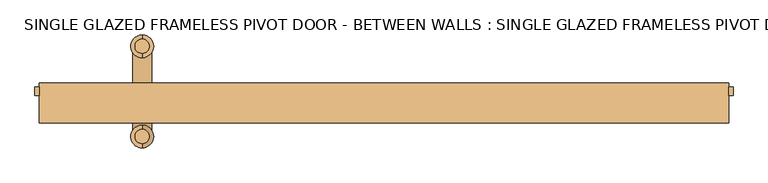
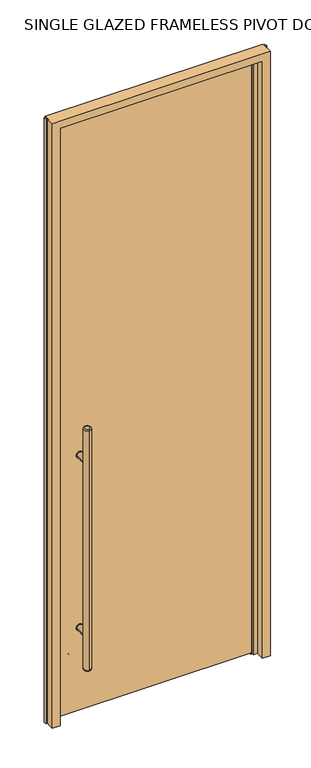
"""IFC4 building model written with IfcOpenShell, lengths in millimetres: door geometry, SINGLE GLAZED FRAMELESS PIVOT DOOR - BETWEEN WALLS : SINGLE GLAZED FRAMELESS PIVOT DOOR - BETWEEN WALLS."""

from ifc_helpers import new_model, si_unit, point, frame, frame_2d, origin, origin_with_axes, place, context, project, spatial, polyline, circle_curve, ellipse_curve, trimmed, segment, composite_curve, outline, extrude, faceted_brep, source, transform, mapped, element, save
from ifc_brep_helpers import plane_surface, cylinder_surface, revolved_surface, advanced_brep


def single_glazed_frameless_pivot_door_between_walls_single_d72e6048(model_context):
    return source(origin(), model_context, "Body", "SolidModel", [
        extrude(outline(composite_curve([segment(trimmed(circle_curve(frame_2d((428.625, -365.125)), 15.875), [point((428.625, -381.0))], [point((428.625, -349.25))], False, "CARTESIAN"), True, "CONTINUOUS"), segment(trimmed(circle_curve(frame_2d((428.625, -365.125)), 15.875), [point((428.625, -349.25))], [point((428.625, -381.0))], False, "CARTESIAN"), True, "CONTINUOUS")], self_intersect=False)), frame((0.0, 0.0, 0.0), z_axis=(0.0, 1.0, 0.0), x_axis=(0.0, 0.0, 1.0)), (0.0, 0.0, 1.0), 3.175),
        extrude(outline(composite_curve([segment(trimmed(circle_curve(frame_2d((1298.575, -365.125)), 15.875), [point((1298.575, -349.25))], [point((1298.575, -381.0))], False, "CARTESIAN"), True, "CONTINUOUS"), segment(trimmed(circle_curve(frame_2d((1298.575, -365.125)), 15.875), [point((1298.575, -381.0))], [point((1298.575, -349.25))], False, "CARTESIAN"), True, "CONTINUOUS")], self_intersect=False)), frame((0.0, 0.0, 0.0), z_axis=(0.0, 1.0, 0.0), x_axis=(0.0, 0.0, 1.0)), (0.0, 0.0, 1.0), 3.175),
        extrude(outline(composite_curve([segment(trimmed(circle_curve(frame_2d((428.625, -365.125)), 15.875), [point((428.625, -381.0))], [point((428.625, -349.25))], False, "CARTESIAN"), True, "CONTINUOUS"), segment(trimmed(circle_curve(frame_2d((428.625, -365.125)), 15.875), [point((428.625, -349.25))], [point((428.625, -381.0))], False, "CARTESIAN"), True, "CONTINUOUS")], self_intersect=False)), frame((0.0, -9.525, 0.0), z_axis=(0.0, 1.0, 0.0), x_axis=(0.0, 0.0, 1.0)), (0.0, 0.0, 1.0), 3.175),
        extrude(outline(composite_curve([segment(trimmed(circle_curve(frame_2d((1298.575, -365.125)), 15.875), [point((1298.575, -381.0))], [point((1298.575, -349.25))], False, "CARTESIAN"), True, "CONTINUOUS"), segment(trimmed(circle_curve(frame_2d((1298.575, -365.125)), 15.875), [point((1298.575, -349.25))], [point((1298.575, -381.0))], False, "CARTESIAN"), True, "CONTINUOUS")], self_intersect=False)), frame((0.0, -9.525, 0.0), z_axis=(0.0, 1.0, 0.0), x_axis=(0.0, 0.0, 1.0)), (0.0, 0.0, 1.0), 3.175),
        extrude(outline(composite_curve([segment(trimmed(circle_curve(frame_2d((428.625, -365.125)), 14.2875), [point((428.625, -350.8375))], [point((428.625, -379.4125))], False, "CARTESIAN"), True, "CONTINUOUS"), segment(trimmed(circle_curve(frame_2d((428.625, -365.125)), 14.2875), [point((428.625, -379.4125))], [point((428.625, -350.8375))], False, "CARTESIAN"), True, "CONTINUOUS")], self_intersect=False)), frame((0.0, -71.4375, 0.0), z_axis=(0.0, 1.0, 0.0), x_axis=(0.0, 0.0, 1.0)), (0.0, 0.0, 1.0), 65.0875),
        extrude(outline(composite_curve([segment(trimmed(circle_curve(frame_2d((1298.575, -365.125)), 14.2875), [point((1298.575, -350.8375))], [point((1298.575, -379.4125))], False, "CARTESIAN"), True, "CONTINUOUS"), segment(trimmed(circle_curve(frame_2d((1298.575, -365.125)), 14.2875), [point((1298.575, -379.4125))], [point((1298.575, -350.8375))], False, "CARTESIAN"), True, "CONTINUOUS")], self_intersect=False)), frame((0.0, -71.4375, 0.0), z_axis=(0.0, 1.0, 0.0), x_axis=(0.0, 0.0, 1.0)), (0.0, 0.0, 1.0), 65.0875),
        advanced_brep(
        [(-365.125, 54.2925, 1473.2), (-365.125, 75.8825, 1473.2), (-365.125, 75.8825, 254.0), (-365.125, 54.2925, 254.0), (-365.125, 82.2325, 260.35), (-365.125, 82.2325, 1466.85), (-365.125, 47.9425, 1466.85), (-365.125, 47.9425, 260.35)],
        [
            (0, 1, circle_curve(frame((-365.125, 65.0875, 1473.2), z_axis=(0.0, 0.0, 1.0), x_axis=(0.0, -1.0, 0.0)), 10.795)),
            (1, 0, circle_curve(frame((-365.125, 65.0875, 1473.2), z_axis=(0.0, 0.0, 1.0), x_axis=(0.0, -1.0, 0.0)), 10.795)),
            (2, 3, circle_curve(frame((-365.125, 65.0875, 254.0), z_axis=(0.0, 0.0, -1.0), x_axis=(0.0, -1.0, 0.0)), 10.795)),
            (3, 2, circle_curve(frame((-365.125, 65.0875, 254.0), z_axis=(0.0, 0.0, -1.0), x_axis=(0.0, -1.0, 0.0)), 10.795)),
            (4, 5),
            (5, 6, circle_curve(frame((-365.125, 65.0875, 1466.85), z_axis=(0.0, 0.0, -1.0), x_axis=(0.0, -1.0, 0.0)), 17.145)),
            (6, 7),
            (7, 4, circle_curve(frame((-365.125, 65.0875, 260.35), z_axis=(0.0, 0.0, 1.0), x_axis=(0.0, -1.0, 0.0)), 17.145)),
            (6, 5, circle_curve(frame((-365.125, 65.0875, 1466.85), z_axis=(0.0, 0.0, -1.0), x_axis=(0.0, -1.0, 0.0)), 17.145)),
            (4, 7, circle_curve(frame((-365.125, 65.0875, 260.35), z_axis=(0.0, 0.0, 1.0), x_axis=(0.0, -1.0, 0.0)), 17.145)),
            (3, 7, circle_curve(frame((-365.125, 54.2925, 260.35), z_axis=(-1.0, 0.0, 0.0), x_axis=(0.0, -1.0, 0.0)), 6.35)),
            (4, 2, circle_curve(frame((-365.125, 75.8825, 260.35), z_axis=(-1.0, 0.0, 0.0), x_axis=(0.0, 1.0, 0.0)), 6.35)),
            (6, 0, circle_curve(frame((-365.125, 54.2925, 1466.85), z_axis=(-1.0, 0.0, 0.0), x_axis=(0.0, -1.0, 0.0)), 6.35)),
            (1, 5, circle_curve(frame((-365.125, 75.8825, 1466.85), z_axis=(-1.0, 0.0, 0.0), x_axis=(0.0, 1.0, 0.0)), 6.35)),
        ],
        [
            plane_surface(frame((-365.125, -88.5825, 1473.2), z_axis=(0.0, 0.0, 1.0), x_axis=(-1.0, 0.0, 0.0))),
            plane_surface(frame((-365.125, -88.5825, 254.0), z_axis=(0.0, 0.0, -1.0), x_axis=(1.0, 0.0, 0.0))),
            cylinder_surface(frame((-365.125, 65.0875, 254.0), z_axis=(0.0, 0.0, 1.0), x_axis=(0.0, -1.0, 0.0)), 17.145),
            revolved_surface(trimmed(ellipse_curve(frame((-365.125, 54.2925, 260.35), z_axis=(-1.0, 0.0, 0.0), x_axis=(0.0, -1.0, 0.0)), 6.35, 6.35), [point((-365.125, 54.2925, 254.0))], [point((-365.125, 47.9425, 260.35))], True, "CARTESIAN"), (-365.125, 65.0875, 2082.8), (0.0, 0.0, 1.0)),
            revolved_surface(trimmed(ellipse_curve(frame((-365.125, 54.2925, 1466.85), z_axis=(-1.0, 0.0, 0.0), x_axis=(0.0, -1.0, 0.0)), 6.35, 6.35), [point((-365.125, 47.9425, 1466.85))], [point((-365.125, 54.2925, 1473.2))], True, "CARTESIAN"), (-365.125, 65.0875, -355.6), (0.0, 0.0, 1.0)),
        ],
        [
            (0, [[1, 2]]),
            (1, [[3, 4]]),
            (2, [[5, 6, 7, 8]]),
            (2, [[-7, 9, -5, 10]]),
            (3, [[-4, 11, -10, 12]]),
            (3, [[-8, -11, -3, -12]]),
            (4, [[-9, 13, -2, 14]]),
            (4, [[-1, -13, -6, -14]]),
        ],
    ),
        advanced_brep(
        [(-365.125, -82.2325, 1473.2), (-365.125, -60.6425, 1473.2), (-365.125, -60.6425, 254.0), (-365.125, -82.2325, 254.0), (-365.125, -54.2925, 260.35), (-365.125, -54.2925, 1466.85), (-365.125, -88.5825, 1466.85), (-365.125, -88.5825, 260.35)],
        [
            (0, 1, circle_curve(frame((-365.125, -71.4375, 1473.2), z_axis=(0.0, 0.0, 1.0), x_axis=(0.0, 1.0, 0.0)), 10.795)),
            (1, 0, circle_curve(frame((-365.125, -71.4375, 1473.2), z_axis=(0.0, 0.0, 1.0), x_axis=(0.0, 1.0, 0.0)), 10.795)),
            (2, 3, circle_curve(frame((-365.125, -71.4375, 254.0), z_axis=(0.0, 0.0, -1.0), x_axis=(0.0, 1.0, 0.0)), 10.795)),
            (3, 2, circle_curve(frame((-365.125, -71.4375, 254.0), z_axis=(0.0, 0.0, -1.0), x_axis=(0.0, 1.0, 0.0)), 10.795)),
            (4, 5),
            (5, 6, circle_curve(frame((-365.125, -71.4375, 1466.85), z_axis=(0.0, 0.0, -1.0), x_axis=(0.0, -1.0, 0.0)), 17.145)),
            (6, 7),
            (7, 4, circle_curve(frame((-365.125, -71.4375, 260.35), z_axis=(0.0, 0.0, 1.0), x_axis=(0.0, -1.0, 0.0)), 17.145)),
            (6, 5, circle_curve(frame((-365.125, -71.4375, 1466.85), z_axis=(0.0, 0.0, -1.0), x_axis=(0.0, -1.0, 0.0)), 17.145)),
            (4, 7, circle_curve(frame((-365.125, -71.4375, 260.35), z_axis=(0.0, 0.0, 1.0), x_axis=(0.0, -1.0, 0.0)), 17.145)),
            (4, 2, circle_curve(frame((-365.125, -60.6425, 260.35), z_axis=(-1.0, 0.0, 0.0), x_axis=(0.0, 1.0, 0.0)), 6.35)),
            (3, 7, circle_curve(frame((-365.125, -82.2325, 260.35), z_axis=(-1.0, 0.0, 0.0), x_axis=(0.0, -1.0, 0.0)), 6.35)),
            (1, 5, circle_curve(frame((-365.125, -60.6425, 1466.85), z_axis=(-1.0, 0.0, 0.0), x_axis=(0.0, 1.0, 0.0)), 6.35)),
            (6, 0, circle_curve(frame((-365.125, -82.2325, 1466.85), z_axis=(-1.0, 0.0, 0.0), x_axis=(0.0, -1.0, 0.0)), 6.35)),
        ],
        [
            plane_surface(frame((-365.125, -88.5825, 1473.2), z_axis=(0.0, 0.0, 1.0), x_axis=(-1.0, 0.0, 0.0))),
            plane_surface(frame((-365.125, -88.5825, 254.0), z_axis=(0.0, 0.0, -1.0), x_axis=(1.0, 0.0, 0.0))),
            cylinder_surface(frame((-365.125, -71.4375, 254.0), z_axis=(0.0, 0.0, 1.0), x_axis=(0.0, -1.0, 0.0)), 17.145),
            revolved_surface(trimmed(ellipse_curve(frame((-365.125, -60.6425, 260.35), z_axis=(-1.0, 0.0, 0.0), x_axis=(0.0, 1.0, 0.0)), 6.35, 6.35), [point((-365.125, -54.2925, 260.35))], [point((-365.125, -60.6425, 254.0))], True, "CARTESIAN"), (-365.125, -71.4375, 2082.8), (0.0, 0.0, -1.0)),
            revolved_surface(trimmed(ellipse_curve(frame((-365.125, -60.6425, 1466.85), z_axis=(-1.0, 0.0, 0.0), x_axis=(0.0, 1.0, 0.0)), 6.35, 6.35), [point((-365.125, -60.6425, 1473.2))], [point((-365.125, -54.2925, 1466.85))], True, "CARTESIAN"), (-365.125, -71.4375, -355.6), (0.0, 0.0, -1.0)),
        ],
        [
            (0, [[1, 2]]),
            (1, [[3, 4]]),
            (2, [[5, 6, 7, 8]]),
            (2, [[-7, 9, -5, 10]]),
            (3, [[-10, 11, -4, 12]]),
            (3, [[-3, -11, -8, -12]]),
            (4, [[-2, 13, -9, 14]]),
            (4, [[-6, -13, -1, -14]]),
        ],
    ),
        extrude(outline(composite_curve([segment(trimmed(circle_curve(frame_2d((428.625, -365.125)), 14.2875), [point((428.625, -350.8375))], [point((428.625, -379.4125))], False, "CARTESIAN"), True, "CONTINUOUS"), segment(trimmed(circle_curve(frame_2d((428.625, -365.125)), 14.2875), [point((428.625, -379.4125))], [point((428.625, -350.8375))], False, "CARTESIAN"), True, "CONTINUOUS")], self_intersect=False)), frame((0.0, 0.0, 0.0), z_axis=(0.0, 1.0, 0.0), x_axis=(0.0, 0.0, 1.0)), (0.0, 0.0, 1.0), 65.0875),
        extrude(outline(composite_curve([segment(trimmed(circle_curve(frame_2d((1298.575, -365.125)), 14.2875), [point((1298.575, -350.8375))], [point((1298.575, -379.4125))], False, "CARTESIAN"), True, "CONTINUOUS"), segment(trimmed(circle_curve(frame_2d((1298.575, -365.125)), 14.2875), [point((1298.575, -379.4125))], [point((1298.575, -350.8375))], False, "CARTESIAN"), True, "CONTINUOUS")], self_intersect=False)), frame((0.0, 0.0, 0.0), z_axis=(0.0, 1.0, 0.0), x_axis=(0.0, 0.0, 1.0)), (0.0, 0.0, 1.0), 65.0875),
        extrude(outline(polyline([(457.2, 0.0), (457.2, -6.35), (-457.2, -6.35), (-457.2, 0.0), (457.2, 0.0)])), frame((0.0, 0.0, 9.525), z_axis=(0.0, 0.0, 1.0), x_axis=(1.0, 0.0, 0.0)), (0.0, 0.0, 1.0), 2974.975),
        extrude(outline(polyline([(-520.7, -9.525), (-527.05, -9.525), (-527.05, 3.175), (-520.7, 3.175), (-520.7, -9.525)])), origin_with_axes(), (0.0, 0.0, 1.0), 3048.0),
        extrude(outline(polyline([(520.7, -9.525), (520.7, 3.175), (527.05, 3.175), (527.05, -9.525), (520.7, -9.525)])), origin_with_axes(), (0.0, 0.0, 1.0), 3048.0),
        faceted_brep([(520.7, 9.525, 0.0), (520.7, -50.8, 0.0), (483.497187, -50.8, 0.0), (483.497187, -9.525, 0.0), (462.9999983, -9.525, 0.0), (462.9999983, 0.0, 0.0), (454.025, 0.0, 0.0), (454.025, 9.525, 0.0), (454.025, 9.525, 2981.325), (-454.025, 9.525, 2981.325), (-454.025, 9.525, 0.0), (-520.7, 9.525, 0.0), (-520.7, 9.525, 3048.0), (520.7, 9.525, 3048.0), (454.025, 0.0, 2981.325), (462.9999983, 0.0, 2990.2999983), (-462.9999983, 0.0, 2990.2999983), (-462.9999983, 0.0, 0.0), (-454.025, 0.0, 0.0), (-454.025, 0.0, 2981.325), (462.9999983, -9.525, 2990.2999983), (483.497187, -9.525, 3010.797187), (-483.497187, -9.525, 3010.797187), (-483.497187, -9.525, 0.0), (-462.9999983, -9.525, 0.0), (-462.9999983, -9.525, 2990.2999983), (483.497187, -50.8, 3010.797187), (520.7, -50.8, 3048.0), (-520.7, -50.8, 3048.0), (-520.7, -50.8, 0.0), (-483.497187, -50.8, 0.0), (-483.497187, -50.8, 3010.797187)], [[[0, 1, 2, 3, 4, 5, 6, 7]], [[7, 8, 9, 10, 11, 12, 13, 0]], [[6, 14, 8, 7]], [[5, 15, 16, 17, 18, 19, 14, 6]], [[4, 20, 15, 5]], [[3, 21, 22, 23, 24, 25, 20, 4]], [[2, 26, 21, 3]], [[1, 27, 28, 29, 30, 31, 26, 2]], [[0, 13, 27, 1]], [[11, 10, 18, 17, 24, 23, 30, 29]], [[12, 11, 29, 28]], [[31, 30, 23, 22]], [[25, 24, 17, 16]], [[19, 18, 10, 9]], [[14, 19, 9, 8]], [[20, 25, 16, 15]], [[26, 31, 22, 21]], [[13, 12, 28, 27]]]),
    ])


if __name__ == "__main__":
    model = new_model("IFC4")
    model_context = context("Model", 3, world=origin())
    ifc_project = project(units=[si_unit("LENGTHUNIT", "METRE", prefix="MILLI")], contexts=[model_context])
    site = spatial("IfcSite", under=ifc_project)
    building = spatial("IfcBuilding", under=site)
    placement = place(None, origin())
    single_glazed_frameless_pivot_door_between_walls_single_shape = single_glazed_frameless_pivot_door_between_walls_single_d72e6048(model_context)
    element("IfcDoor", 1, ObjectType="SINGLE GLAZED FRAMELESS PIVOT DOOR - BETWEEN WALLS : SINGLE GLAZED FRAMELESS PIVOT DOOR - BETWEEN WALLS", at=placement, inside=building, context=model_context, shape_type="MappedRepresentation", body=[
        mapped(single_glazed_frameless_pivot_door_between_walls_single_shape, transform((0.0, 0.0, 0.0), x_axis=(1.0, 0.0, 0.0), y_axis=(0.0, 1.0, 0.0), z_axis=(0.0, 0.0, 1.0))),
    ])
    save(model, "model.ifc")
